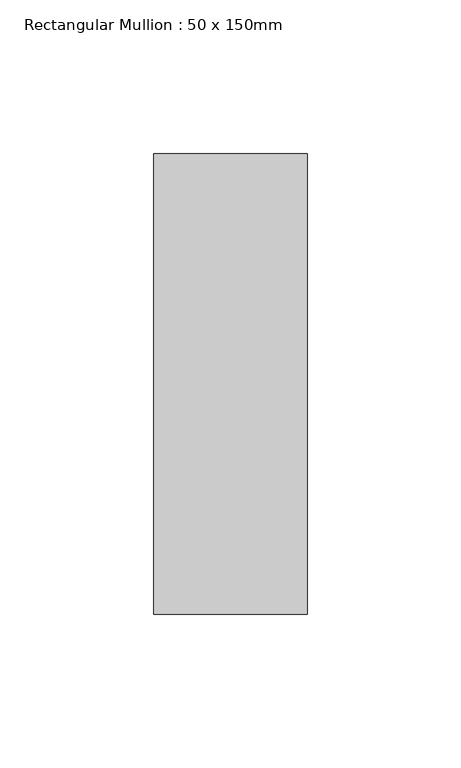
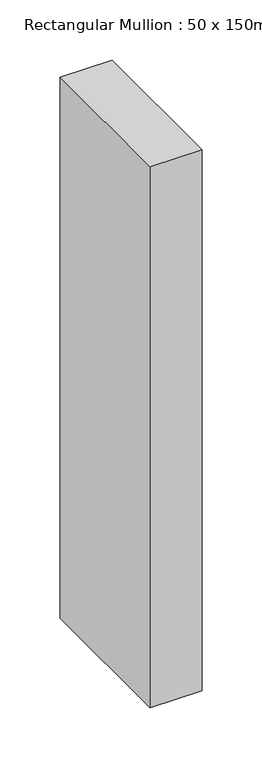
"""IFC4 building model written with IfcOpenShell, lengths in millimetres: member geometry, Rectangular Mullion : 50 x 150mm."""

from ifc_helpers import new_model, si_unit, frame, origin, place, context, project, spatial, polyline, outline, extrude, source, transform, mapped, element, save


def rectangular_mullion_50_x_150mm_705091fc(model_context):
    return source(origin(), model_context, "Body", "SweptSolid", [
        extrude(outline(polyline([(25.0, 75.0), (25.0, -75.0), (-25.0, -75.0), (-25.0, 75.0), (25.0, 75.0)])), frame((0.0, 0.0, -550.0548808), z_axis=(0.0, 0.0, 1.0), x_axis=(1.0, 0.0, 0.0)), (0.0, 0.0, 1.0), 550.0548808),
    ])


if __name__ == "__main__":
    model = new_model("IFC4")
    model_context = context("Model", 3, world=origin())
    ifc_project = project(units=[si_unit("LENGTHUNIT", "METRE", prefix="MILLI")], contexts=[model_context])
    site = spatial("IfcSite", under=ifc_project)
    building = spatial("IfcBuilding", under=site)
    placement = place(None, origin())
    rectangular_mullion_50_x_150mm_shape = rectangular_mullion_50_x_150mm_705091fc(model_context)
    element("IfcMember", 1, ObjectType="Rectangular Mullion : 50 x 150mm", at=placement, inside=building, context=model_context, shape_type="MappedRepresentation", body=[
        mapped(rectangular_mullion_50_x_150mm_shape, transform((0.0, 0.0, 0.0), x_axis=(1.0, 0.0, 0.0), y_axis=(0.0, 1.0, 0.0), z_axis=(0.0, 0.0, 1.0))),
    ])
    save(model, "model.ifc")
